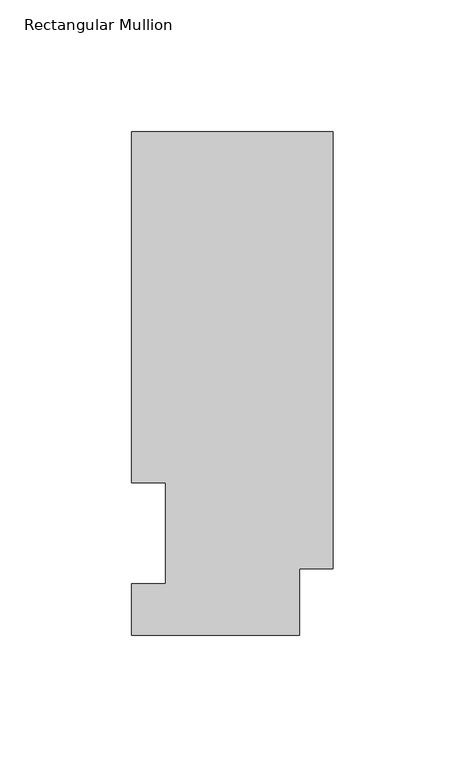
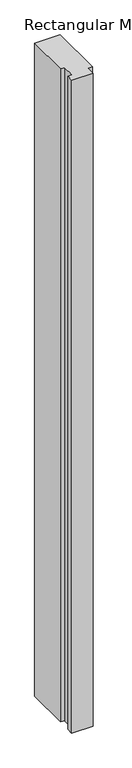
"""IFC4 building model written with IfcOpenShell, lengths in millimetres: member geometry, Rectangular Mullion."""

from ifc_helpers import new_model, si_unit, frame, origin, place, context, project, spatial, polyline, outline, extrude, source, transform, mapped, element, save


def rectangular_mullion_4e2389ad(model_context):
    return source(origin(), model_context, "Body", "SweptSolid", [
        extrude(outline(polyline([(-76.2, 190.5896937), (0.0, 190.5896937), (0.0, 25.0832937), (-12.7, 25.0832937), (-12.7, 0.0134937), (-76.2, 0.0134937), (-76.2, 19.5460937), (-63.5, 19.5460937), (-63.5, 57.6460937), (-76.2, 57.6460937), (-76.2, 190.5896937)])), frame((0.0, 0.0, -2057.4), z_axis=(0.0, 0.0, 1.0), x_axis=(1.0, 0.0, 0.0)), (0.0, 0.0, 1.0), 2057.4),
    ])


if __name__ == "__main__":
    model = new_model("IFC4")
    model_context = context("Model", 3, world=origin())
    ifc_project = project(units=[si_unit("LENGTHUNIT", "METRE", prefix="MILLI")], contexts=[model_context])
    site = spatial("IfcSite", under=ifc_project)
    building = spatial("IfcBuilding", under=site)
    placement = place(None, origin())
    rectangular_mullion_shape = rectangular_mullion_4e2389ad(model_context)
    element("IfcMember", 1, ObjectType="Rectangular Mullion", at=placement, inside=building, context=model_context, shape_type="MappedRepresentation", body=[
        mapped(rectangular_mullion_shape, transform((0.0, 0.0, 0.0), x_axis=(1.0, 0.0, 0.0), y_axis=(0.0, 1.0, 0.0), z_axis=(0.0, 0.0, 1.0))),
    ])
    save(model, "model.ifc")
